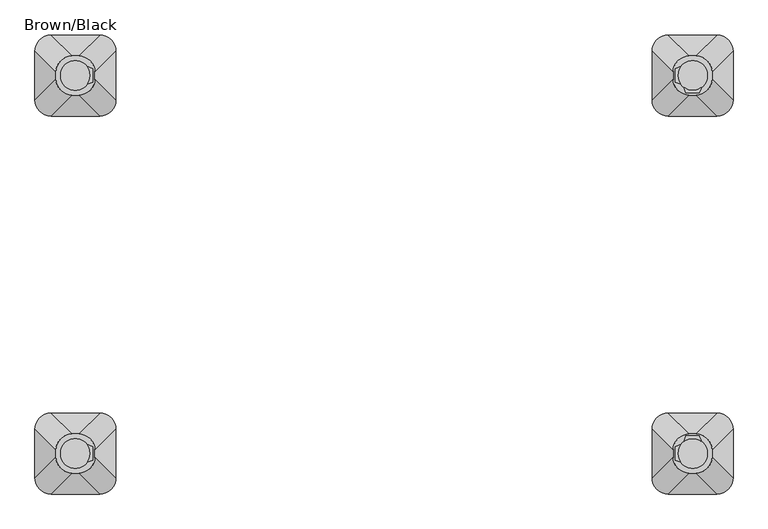
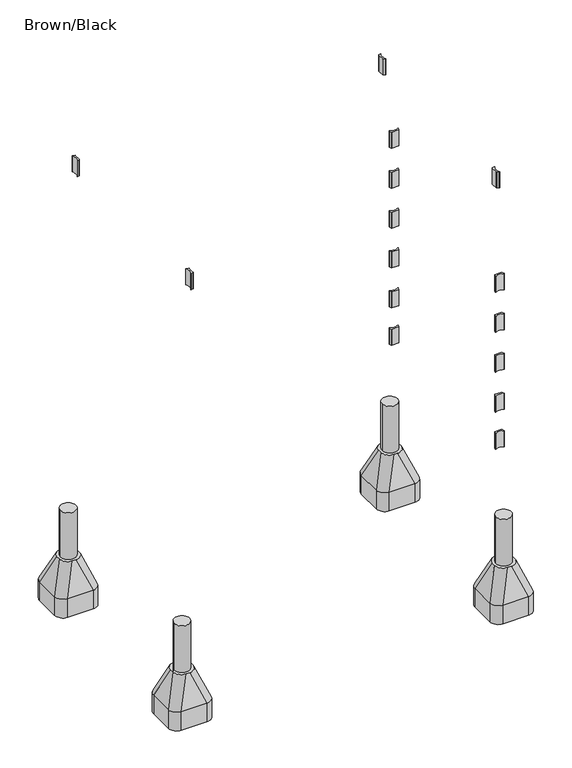
"""IFC4 building model written with IfcOpenShell, lengths in millimetres: furniture geometry, Brown/Black."""

from ifc_helpers import new_model, si_unit, point, frame, frame_2d, origin, place, context, project, spatial, polyline, circle_curve, trimmed, segment, composite_curve, outline, extrude, source, transform, mapped, element, save
from ifc_brep_helpers import plane_surface, cylinder_surface, extruded_surface, advanced_brep


def brown_black_c71b2f0c(model_context):
    return source(origin(), model_context, "Body", "SolidModel", [
        extrude(outline(composite_curve([segment(trimmed(circle_curve(frame_2d((-547.0, 1605.0)), 55.0), [point((-602.0, 1605.0))], [point((-492.0, 1605.0))], False, "CARTESIAN"), True, "CONTINUOUS"), segment(trimmed(circle_curve(frame_2d((-547.0, 1605.0)), 55.0), [point((-492.0, 1605.0))], [point((-602.0, 1605.0))], False, "CARTESIAN"), True, "CONTINUOUS")], self_intersect=False)), frame((0.0, 0.0, -800.0), z_axis=(0.0, 0.0, 1.0), x_axis=(1.0, 0.0, 0.0)), (0.0, 0.0, 1.0), 700.0),
        advanced_brep(
        [(-457.0, 1755.0, -800.0), (-397.0, 1695.0, -800.0), (-397.0, 1515.0, -800.0), (-457.0, 1455.0, -800.0), (-637.0, 1455.0, -800.0), (-697.0, 1515.0, -800.0), (-697.0, 1695.0, -800.0), (-637.0, 1755.0, -800.0), (-637.0, 1755.0, -660.0), (-457.0, 1755.0, -660.0), (-697.0, 1515.0, -660.0), (-697.0, 1695.0, -660.0), (-457.0, 1455.0, -660.0), (-637.0, 1455.0, -660.0), (-397.0, 1695.0, -660.0), (-397.0, 1515.0, -660.0), (-559.2959549, 1677.6989403, -450.0), (-619.2959549, 1617.6989403, -450.0), (-619.2959549, 1592.3010597, -450.0), (-559.2959549, 1532.3010597, -450.0), (-534.7040451, 1532.3010597, -450.0), (-474.7040451, 1592.3010597, -450.0), (-474.7040451, 1617.6989403, -450.0), (-534.7040451, 1677.6989403, -450.0)],
        [
            (0, 1, circle_curve(frame((-457.0, 1695.0, -800.0), z_axis=(0.0, 0.0, -1.0), x_axis=(1.0, 0.0, 0.0)), 60.0)),
            (1, 2),
            (2, 3, circle_curve(frame((-457.0, 1515.0, -800.0), z_axis=(0.0, 0.0, -1.0), x_axis=(1.0, 0.0, 0.0)), 60.0)),
            (3, 4),
            (4, 5, circle_curve(frame((-637.0, 1515.0, -800.0), z_axis=(0.0, 0.0, -1.0), x_axis=(1.0, 0.0, 0.0)), 60.0)),
            (5, 6),
            (6, 7, circle_curve(frame((-637.0, 1695.0, -800.0), z_axis=(0.0, 0.0, -1.0), x_axis=(1.0, 0.0, 0.0)), 60.0)),
            (7, 0),
            (7, 8),
            (8, 9),
            (9, 0),
            (5, 10),
            (10, 11),
            (11, 6),
            (3, 12),
            (12, 13),
            (13, 4),
            (1, 14),
            (14, 15),
            (15, 2),
            (16, 17, circle_curve(frame((-559.2959549, 1617.6989403, -450.0), z_axis=(0.0, 0.0, 1.0), x_axis=(1.0, 0.0, 0.0)), 60.0)),
            (17, 18),
            (18, 19, circle_curve(frame((-559.2959549, 1592.3010597, -450.0), z_axis=(0.0, 0.0, 1.0), x_axis=(1.0, 0.0, 0.0)), 60.0)),
            (19, 20),
            (20, 21, circle_curve(frame((-534.7040451, 1592.3010597, -450.0), z_axis=(0.0, 0.0, 1.0), x_axis=(1.0, 0.0, 0.0)), 60.0)),
            (21, 22),
            (22, 23, circle_curve(frame((-534.7040451, 1617.6989403, -450.0), z_axis=(0.0, 0.0, 1.0), x_axis=(1.0, 0.0, 0.0)), 60.0)),
            (23, 16),
            (17, 11),
            (10, 18),
            (19, 13),
            (12, 20),
            (21, 15),
            (14, 22),
            (23, 9),
            (8, 16),
            (11, 8, circle_curve(frame((-637.0, 1695.0, -660.0), z_axis=(0.0, 0.0, -1.0), x_axis=(1.0, 0.0, 0.0)), 60.0)),
            (13, 10, circle_curve(frame((-637.0, 1515.0, -660.0), z_axis=(0.0, 0.0, -1.0), x_axis=(1.0, 0.0, 0.0)), 60.0)),
            (15, 12, circle_curve(frame((-457.0, 1515.0, -660.0), z_axis=(0.0, 0.0, -1.0), x_axis=(1.0, 0.0, 0.0)), 60.0)),
            (9, 14, circle_curve(frame((-457.0, 1695.0, -660.0), z_axis=(0.0, 0.0, -1.0), x_axis=(1.0, 0.0, 0.0)), 60.0)),
        ],
        [
            plane_surface(frame((-723.6329682, 1755.0, -800.0), z_axis=(0.0, 0.0, -1.0), x_axis=(1.0, 0.0, 0.0))),
            plane_surface(frame((-457.0, 1755.0, -660.0), z_axis=(0.0, 1.0, 0.0), x_axis=(0.0, 0.0, -1.0))),
            plane_surface(frame((-697.0, 1695.0, -660.0), z_axis=(-1.0, 0.0, 0.0), x_axis=(0.0, 0.0, -1.0))),
            plane_surface(frame((-637.0, 1455.0, -660.0), z_axis=(0.0, -1.0, 0.0), x_axis=(0.0, 0.0, -1.0))),
            plane_surface(frame((-397.0, 1515.0, -660.0), z_axis=(1.0, 0.0, 0.0), x_axis=(0.0, 0.0, -1.0))),
            plane_surface(frame((-547.0, 1605.0, -450.0), z_axis=(0.0, 0.0, 1.0), x_axis=(-1.0, 0.0, 0.0))),
            plane_surface(frame((-697.0, 1605.0, -660.0), z_axis=(-0.9378559633153523, 0.0, 0.3470247715564883), x_axis=(0.0, -1.0, 0.0))),
            plane_surface(frame((-547.0, 1455.0, -660.0), z_axis=(0.0, -0.9384407279810882, 0.3454402988452927), x_axis=(1.0, 0.0, 0.0))),
            plane_surface(frame((-397.0, 1605.0, -660.0), z_axis=(0.9378559633153524, 0.0, 0.34702477155648764), x_axis=(0.0, 1.0, 0.0))),
            plane_surface(frame((-547.0, 1755.0, -660.0), z_axis=(0.0, 0.9384407279810884, 0.3454402988452924), x_axis=(-1.0, 0.0, 0.0))),
            cylinder_surface(frame((-637.0, 1695.0, -800.0), z_axis=(0.0, 0.0, 1.0), x_axis=(1.0, 0.0, 0.0)), 60.0),
            cylinder_surface(frame((-637.0, 1515.0, -800.0), z_axis=(0.0, 0.0, 1.0), x_axis=(1.0, 0.0, 0.0)), 60.0),
            cylinder_surface(frame((-457.0, 1515.0, -800.0), z_axis=(0.0, 0.0, 1.0), x_axis=(1.0, 0.0, 0.0)), 60.0),
            cylinder_surface(frame((-457.0, 1695.0, -800.0), z_axis=(0.0, 0.0, 1.0), x_axis=(1.0, 0.0, 0.0)), 60.0),
            extruded_surface(trimmed(circle_curve(frame((-637.0, 1695.0, -660.0), z_axis=(0.0, 0.0, 1.0), x_axis=(1.0, 0.0, 0.0)), 60.0), [point((-637.0, 1755.0, -660.0))], [point((-697.0, 1695.0, -660.0))], True, "CARTESIAN"), (77.70404510000003, -77.3010597, 210.0), 236.88261324049472),
            extruded_surface(trimmed(circle_curve(frame((-457.0, 1695.0, -660.0), z_axis=(0.0, 0.0, 1.0), x_axis=(1.0, 0.0, 0.0)), 60.0), [point((-397.0, 1695.0, -660.0))], [point((-457.0, 1755.0, -660.0))], True, "CARTESIAN"), (-77.70404510000003, -77.3010597, 210.0), 236.88261324049472),
            extruded_surface(trimmed(circle_curve(frame((-637.0, 1515.0, -660.0), z_axis=(0.0, 0.0, 1.0), x_axis=(1.0, 0.0, 0.0)), 60.0), [point((-697.0, 1515.0, -660.0))], [point((-637.0, 1455.0, -660.0))], True, "CARTESIAN"), (77.70404510000003, 77.3010597, 210.0), 236.88261324049472),
            extruded_surface(trimmed(circle_curve(frame((-457.0, 1515.0, -660.0), z_axis=(0.0, 0.0, 1.0), x_axis=(1.0, 0.0, 0.0)), 60.0), [point((-457.0, 1455.0, -660.0))], [point((-397.0, 1515.0, -660.0))], True, "CARTESIAN"), (-77.70404510000003, 77.3010597, 210.0), 236.88261324049472),
        ],
        [
            (0, [[1, 2, 3, 4, 5, 6, 7, 8]]),
            (1, [[-8, 9, 10, 11]]),
            (2, [[-6, 12, 13, 14]]),
            (3, [[-4, 15, 16, 17]]),
            (4, [[-2, 18, 19, 20]]),
            (5, [[21, 22, 23, 24, 25, 26, 27, 28]]),
            (6, [[-22, 29, -13, 30]]),
            (7, [[-24, 31, -16, 32]]),
            (8, [[-26, 33, -19, 34]]),
            (9, [[-28, 35, -10, 36]]),
            (10, [[-7, -14, 37, -9]]),
            (11, [[-5, -17, 38, -12]]),
            (12, [[-3, -20, 39, -15]]),
            (13, [[-1, -11, 40, -18]]),
            (14, [[-21, -36, -37, -29]]),
            (15, [[-27, -34, -40, -35]]),
            (16, [[-23, -30, -38, -31]]),
            (17, [[-25, -32, -39, -33]]),
        ],
    ),
        extrude(outline(composite_curve([segment(trimmed(circle_curve(frame_2d((-547.0, 205.0)), 55.0), [point((-602.0, 205.0))], [point((-492.0, 205.0))], False, "CARTESIAN"), True, "CONTINUOUS"), segment(trimmed(circle_curve(frame_2d((-547.0, 205.0)), 55.0), [point((-492.0, 205.0))], [point((-602.0, 205.0))], False, "CARTESIAN"), True, "CONTINUOUS")], self_intersect=False)), frame((0.0, 0.0, -800.0), z_axis=(0.0, 0.0, 1.0), x_axis=(1.0, 0.0, 0.0)), (0.0, 0.0, 1.0), 700.0),
        advanced_brep(
        [(-457.0, 355.0, -800.0), (-397.0, 295.0, -800.0), (-397.0, 115.0, -800.0), (-457.0, 55.0, -800.0), (-637.0, 55.0, -800.0), (-697.0, 115.0, -800.0), (-697.0, 295.0, -800.0), (-637.0, 355.0, -800.0), (-637.0, 355.0, -660.0), (-457.0, 355.0, -660.0), (-697.0, 115.0, -660.0), (-697.0, 295.0, -660.0), (-457.0, 55.0, -660.0), (-637.0, 55.0, -660.0), (-397.0, 295.0, -660.0), (-397.0, 115.0, -660.0), (-559.2959549, 277.6989403, -450.0), (-619.2959549, 217.6989403, -450.0), (-619.2959549, 192.3010597, -450.0), (-559.2959549, 132.3010597, -450.0), (-534.7040451, 132.3010597, -450.0), (-474.7040451, 192.3010597, -450.0), (-474.7040451, 217.6989403, -450.0), (-534.7040451, 277.6989403, -450.0)],
        [
            (0, 1, circle_curve(frame((-457.0, 295.0, -800.0), z_axis=(0.0, 0.0, -1.0), x_axis=(1.0, 0.0, 0.0)), 60.0)),
            (1, 2),
            (2, 3, circle_curve(frame((-457.0, 115.0, -800.0), z_axis=(0.0, 0.0, -1.0), x_axis=(1.0, 0.0, 0.0)), 60.0)),
            (3, 4),
            (4, 5, circle_curve(frame((-637.0, 115.0, -800.0), z_axis=(0.0, 0.0, -1.0), x_axis=(1.0, 0.0, 0.0)), 60.0)),
            (5, 6),
            (6, 7, circle_curve(frame((-637.0, 295.0, -800.0), z_axis=(0.0, 0.0, -1.0), x_axis=(1.0, 0.0, 0.0)), 60.0)),
            (7, 0),
            (7, 8),
            (8, 9),
            (9, 0),
            (5, 10),
            (10, 11),
            (11, 6),
            (3, 12),
            (12, 13),
            (13, 4),
            (1, 14),
            (14, 15),
            (15, 2),
            (16, 17, circle_curve(frame((-559.2959549, 217.6989403, -450.0), z_axis=(0.0, 0.0, 1.0), x_axis=(1.0, 0.0, 0.0)), 60.0)),
            (17, 18),
            (18, 19, circle_curve(frame((-559.2959549, 192.3010597, -450.0), z_axis=(0.0, 0.0, 1.0), x_axis=(1.0, 0.0, 0.0)), 60.0)),
            (19, 20),
            (20, 21, circle_curve(frame((-534.7040451, 192.3010597, -450.0), z_axis=(0.0, 0.0, 1.0), x_axis=(1.0, 0.0, 0.0)), 60.0)),
            (21, 22),
            (22, 23, circle_curve(frame((-534.7040451, 217.6989403, -450.0), z_axis=(0.0, 0.0, 1.0), x_axis=(1.0, 0.0, 0.0)), 60.0)),
            (23, 16),
            (17, 11),
            (10, 18),
            (19, 13),
            (12, 20),
            (21, 15),
            (14, 22),
            (23, 9),
            (8, 16),
            (11, 8, circle_curve(frame((-637.0, 295.0, -660.0), z_axis=(0.0, 0.0, -1.0), x_axis=(1.0, 0.0, 0.0)), 60.0)),
            (13, 10, circle_curve(frame((-637.0, 115.0, -660.0), z_axis=(0.0, 0.0, -1.0), x_axis=(1.0, 0.0, 0.0)), 60.0)),
            (15, 12, circle_curve(frame((-457.0, 115.0, -660.0), z_axis=(0.0, 0.0, -1.0), x_axis=(1.0, 0.0, 0.0)), 60.0)),
            (9, 14, circle_curve(frame((-457.0, 295.0, -660.0), z_axis=(0.0, 0.0, -1.0), x_axis=(1.0, 0.0, 0.0)), 60.0)),
        ],
        [
            plane_surface(frame((-723.6329682, 355.0, -800.0), z_axis=(0.0, 0.0, -1.0), x_axis=(1.0, 0.0, 0.0))),
            plane_surface(frame((-457.0, 355.0, -660.0), z_axis=(0.0, 1.0, 0.0), x_axis=(0.0, 0.0, -1.0))),
            plane_surface(frame((-697.0, 295.0, -660.0), z_axis=(-1.0, 0.0, 0.0), x_axis=(0.0, 0.0, -1.0))),
            plane_surface(frame((-637.0, 55.0, -660.0), z_axis=(0.0, -1.0, 0.0), x_axis=(0.0, 0.0, -1.0))),
            plane_surface(frame((-397.0, 115.0, -660.0), z_axis=(1.0, 0.0, 0.0), x_axis=(0.0, 0.0, -1.0))),
            plane_surface(frame((-547.0, 205.0, -450.0), z_axis=(0.0, 0.0, 1.0), x_axis=(-1.0, 0.0, 0.0))),
            plane_surface(frame((-697.0, 205.0, -660.0), z_axis=(-0.9378559633153523, 0.0, 0.3470247715564883), x_axis=(0.0, -1.0, 0.0))),
            plane_surface(frame((-547.0, 55.0, -660.0), z_axis=(0.0, -0.9384407279810882, 0.3454402988452927), x_axis=(1.0, 0.0, 0.0))),
            plane_surface(frame((-397.0, 205.0, -660.0), z_axis=(0.9378559633153524, 0.0, 0.34702477155648764), x_axis=(0.0, 1.0, 0.0))),
            plane_surface(frame((-547.0, 355.0, -660.0), z_axis=(0.0, 0.9384407279810884, 0.3454402988452924), x_axis=(-1.0, 0.0, 0.0))),
            cylinder_surface(frame((-637.0, 295.0, -800.0), z_axis=(0.0, 0.0, 1.0), x_axis=(1.0, 0.0, 0.0)), 60.0),
            cylinder_surface(frame((-637.0, 115.0, -800.0), z_axis=(0.0, 0.0, 1.0), x_axis=(1.0, 0.0, 0.0)), 60.0),
            cylinder_surface(frame((-457.0, 115.0, -800.0), z_axis=(0.0, 0.0, 1.0), x_axis=(1.0, 0.0, 0.0)), 60.0),
            cylinder_surface(frame((-457.0, 295.0, -800.0), z_axis=(0.0, 0.0, 1.0), x_axis=(1.0, 0.0, 0.0)), 60.0),
            extruded_surface(trimmed(circle_curve(frame((-637.0, 295.0, -660.0), z_axis=(0.0, 0.0, 1.0), x_axis=(1.0, 0.0, 0.0)), 60.0), [point((-637.0, 355.0, -660.0))], [point((-697.0, 295.0, -660.0))], True, "CARTESIAN"), (77.70404510000003, -77.3010597, 210.0), 236.88261324049472),
            extruded_surface(trimmed(circle_curve(frame((-457.0, 295.0, -660.0), z_axis=(0.0, 0.0, 1.0), x_axis=(1.0, 0.0, 0.0)), 60.0), [point((-397.0, 295.0, -660.0))], [point((-457.0, 355.0, -660.0))], True, "CARTESIAN"), (-77.70404510000003, -77.3010597, 210.0), 236.88261324049472),
            extruded_surface(trimmed(circle_curve(frame((-637.0, 115.0, -660.0), z_axis=(0.0, 0.0, 1.0), x_axis=(1.0, 0.0, 0.0)), 60.0), [point((-697.0, 115.0, -660.0))], [point((-637.0, 55.0, -660.0))], True, "CARTESIAN"), (77.70404510000003, 77.3010597, 210.0), 236.88261324049472),
            extruded_surface(trimmed(circle_curve(frame((-457.0, 115.0, -660.0), z_axis=(0.0, 0.0, 1.0), x_axis=(1.0, 0.0, 0.0)), 60.0), [point((-457.0, 55.0, -660.0))], [point((-397.0, 115.0, -660.0))], True, "CARTESIAN"), (-77.70404510000003, 77.3010597, 210.0), 236.88261324049472),
        ],
        [
            (0, [[1, 2, 3, 4, 5, 6, 7, 8]]),
            (1, [[-8, 9, 10, 11]]),
            (2, [[-6, 12, 13, 14]]),
            (3, [[-4, 15, 16, 17]]),
            (4, [[-2, 18, 19, 20]]),
            (5, [[21, 22, 23, 24, 25, 26, 27, 28]]),
            (6, [[-22, 29, -13, 30]]),
            (7, [[-24, 31, -16, 32]]),
            (8, [[-26, 33, -19, 34]]),
            (9, [[-28, 35, -10, 36]]),
            (10, [[-7, -14, 37, -9]]),
            (11, [[-5, -17, 38, -12]]),
            (12, [[-3, -20, 39, -15]]),
            (13, [[-1, -11, 40, -18]]),
            (14, [[-21, -36, -37, -29]]),
            (15, [[-27, -34, -40, -35]]),
            (16, [[-23, -30, -38, -31]]),
            (17, [[-25, -32, -39, -33]]),
        ],
    ),
        extrude(outline(composite_curve([segment(trimmed(circle_curve(frame_2d((1739.0, 205.0)), 55.0), [point((1684.0, 205.0))], [point((1794.0, 205.0))], False, "CARTESIAN"), True, "CONTINUOUS"), segment(trimmed(circle_curve(frame_2d((1739.0, 205.0)), 55.0), [point((1794.0, 205.0))], [point((1684.0, 205.0))], False, "CARTESIAN"), True, "CONTINUOUS")], self_intersect=False)), frame((0.0, 0.0, -800.0), z_axis=(0.0, 0.0, 1.0), x_axis=(1.0, 0.0, 0.0)), (0.0, 0.0, 1.0), 700.0),
        advanced_brep(
        [(1829.0, 355.0, -800.0), (1889.0, 295.0, -800.0), (1889.0, 115.0, -800.0), (1829.0, 55.0, -800.0), (1649.0, 55.0, -800.0), (1589.0, 115.0, -800.0), (1589.0, 295.0, -800.0), (1649.0, 355.0, -800.0), (1649.0, 355.0, -660.0), (1829.0, 355.0, -660.0), (1589.0, 115.0, -660.0), (1589.0, 295.0, -660.0), (1829.0, 55.0, -660.0), (1649.0, 55.0, -660.0), (1889.0, 295.0, -660.0), (1889.0, 115.0, -660.0), (1726.7040451, 277.6989403, -450.0), (1666.7040451, 217.6989403, -450.0), (1666.7040451, 192.3010597, -450.0), (1726.7040451, 132.3010597, -450.0), (1751.2959549, 132.3010597, -450.0), (1811.2959549, 192.3010597, -450.0), (1811.2959549, 217.6989403, -450.0), (1751.2959549, 277.6989403, -450.0)],
        [
            (0, 1, circle_curve(frame((1829.0, 295.0, -800.0), z_axis=(0.0, 0.0, -1.0), x_axis=(1.0, 0.0, 0.0)), 60.0)),
            (1, 2),
            (2, 3, circle_curve(frame((1829.0, 115.0, -800.0), z_axis=(0.0, 0.0, -1.0), x_axis=(1.0, 0.0, 0.0)), 60.0)),
            (3, 4),
            (4, 5, circle_curve(frame((1649.0, 115.0, -800.0), z_axis=(0.0, 0.0, -1.0), x_axis=(1.0, 0.0, 0.0)), 60.0)),
            (5, 6),
            (6, 7, circle_curve(frame((1649.0, 295.0, -800.0), z_axis=(0.0, 0.0, -1.0), x_axis=(1.0, 0.0, 0.0)), 60.0)),
            (7, 0),
            (7, 8),
            (8, 9),
            (9, 0),
            (5, 10),
            (10, 11),
            (11, 6),
            (3, 12),
            (12, 13),
            (13, 4),
            (1, 14),
            (14, 15),
            (15, 2),
            (16, 17, circle_curve(frame((1726.7040451, 217.6989403, -450.0), z_axis=(0.0, 0.0, 1.0), x_axis=(1.0, 0.0, 0.0)), 60.0)),
            (17, 18),
            (18, 19, circle_curve(frame((1726.7040451, 192.3010597, -450.0), z_axis=(0.0, 0.0, 1.0), x_axis=(1.0, 0.0, 0.0)), 60.0)),
            (19, 20),
            (20, 21, circle_curve(frame((1751.2959549, 192.3010597, -450.0), z_axis=(0.0, 0.0, 1.0), x_axis=(1.0, 0.0, 0.0)), 60.0)),
            (21, 22),
            (22, 23, circle_curve(frame((1751.2959549, 217.6989403, -450.0), z_axis=(0.0, 0.0, 1.0), x_axis=(1.0, 0.0, 0.0)), 60.0)),
            (23, 16),
            (17, 11),
            (10, 18),
            (19, 13),
            (12, 20),
            (21, 15),
            (14, 22),
            (23, 9),
            (8, 16),
            (11, 8, circle_curve(frame((1649.0, 295.0, -660.0), z_axis=(0.0, 0.0, -1.0), x_axis=(1.0, 0.0, 0.0)), 60.0)),
            (13, 10, circle_curve(frame((1649.0, 115.0, -660.0), z_axis=(0.0, 0.0, -1.0), x_axis=(1.0, 0.0, 0.0)), 60.0)),
            (15, 12, circle_curve(frame((1829.0, 115.0, -660.0), z_axis=(0.0, 0.0, -1.0), x_axis=(1.0, 0.0, 0.0)), 60.0)),
            (9, 14, circle_curve(frame((1829.0, 295.0, -660.0), z_axis=(0.0, 0.0, -1.0), x_axis=(1.0, 0.0, 0.0)), 60.0)),
        ],
        [
            plane_surface(frame((1562.3670318, 355.0, -800.0), z_axis=(0.0, 0.0, -1.0), x_axis=(1.0, 0.0, 0.0))),
            plane_surface(frame((1829.0, 355.0, -660.0), z_axis=(0.0, 1.0, 0.0), x_axis=(0.0, 0.0, -1.0))),
            plane_surface(frame((1589.0, 295.0, -660.0), z_axis=(-1.0, 0.0, 0.0), x_axis=(0.0, 0.0, -1.0))),
            plane_surface(frame((1649.0, 55.0, -660.0), z_axis=(0.0, -1.0, 0.0), x_axis=(0.0, 0.0, -1.0))),
            plane_surface(frame((1889.0, 115.0, -660.0), z_axis=(1.0, 0.0, 0.0), x_axis=(0.0, 0.0, -1.0))),
            plane_surface(frame((1739.0, 205.0, -450.0), z_axis=(0.0, 0.0, 1.0), x_axis=(-1.0, 0.0, 0.0))),
            plane_surface(frame((1589.0, 205.0, -660.0), z_axis=(-0.9378559633153523, 0.0, 0.3470247715564883), x_axis=(0.0, -1.0, 0.0))),
            plane_surface(frame((1739.0, 55.0, -660.0), z_axis=(0.0, -0.9384407279810882, 0.3454402988452927), x_axis=(1.0, 0.0, 0.0))),
            plane_surface(frame((1889.0, 205.0, -660.0), z_axis=(0.9378559633153524, 0.0, 0.34702477155648764), x_axis=(0.0, 1.0, 0.0))),
            plane_surface(frame((1739.0, 355.0, -660.0), z_axis=(0.0, 0.9384407279810884, 0.3454402988452924), x_axis=(-1.0, 0.0, 0.0))),
            cylinder_surface(frame((1649.0, 295.0, -800.0), z_axis=(0.0, 0.0, 1.0), x_axis=(1.0, 0.0, 0.0)), 60.0),
            cylinder_surface(frame((1649.0, 115.0, -800.0), z_axis=(0.0, 0.0, 1.0), x_axis=(1.0, 0.0, 0.0)), 60.0),
            cylinder_surface(frame((1829.0, 115.0, -800.0), z_axis=(0.0, 0.0, 1.0), x_axis=(1.0, 0.0, 0.0)), 60.0),
            cylinder_surface(frame((1829.0, 295.0, -800.0), z_axis=(0.0, 0.0, 1.0), x_axis=(1.0, 0.0, 0.0)), 60.0),
            extruded_surface(trimmed(circle_curve(frame((1649.0, 295.0, -660.0), z_axis=(0.0, 0.0, 1.0), x_axis=(1.0, 0.0, 0.0)), 60.0), [point((1649.0, 355.0, -660.0))], [point((1589.0, 295.0, -660.0))], True, "CARTESIAN"), (77.70404510000003, -77.3010597, 210.0), 236.88261324049472),
            extruded_surface(trimmed(circle_curve(frame((1829.0, 295.0, -660.0), z_axis=(0.0, 0.0, 1.0), x_axis=(1.0, 0.0, 0.0)), 60.0), [point((1889.0, 295.0, -660.0))], [point((1829.0, 355.0, -660.0))], True, "CARTESIAN"), (-77.70404510000003, -77.3010597, 210.0), 236.88261324049472),
            extruded_surface(trimmed(circle_curve(frame((1649.0, 115.0, -660.0), z_axis=(0.0, 0.0, 1.0), x_axis=(1.0, 0.0, 0.0)), 60.0), [point((1589.0, 115.0, -660.0))], [point((1649.0, 55.0, -660.0))], True, "CARTESIAN"), (77.70404510000003, 77.3010597, 210.0), 236.88261324049472),
            extruded_surface(trimmed(circle_curve(frame((1829.0, 115.0, -660.0), z_axis=(0.0, 0.0, 1.0), x_axis=(1.0, 0.0, 0.0)), 60.0), [point((1829.0, 55.0, -660.0))], [point((1889.0, 115.0, -660.0))], True, "CARTESIAN"), (-77.70404510000003, 77.3010597, 210.0), 236.88261324049472),
        ],
        [
            (0, [[1, 2, 3, 4, 5, 6, 7, 8]]),
            (1, [[-8, 9, 10, 11]]),
            (2, [[-6, 12, 13, 14]]),
            (3, [[-4, 15, 16, 17]]),
            (4, [[-2, 18, 19, 20]]),
            (5, [[21, 22, 23, 24, 25, 26, 27, 28]]),
            (6, [[-22, 29, -13, 30]]),
            (7, [[-24, 31, -16, 32]]),
            (8, [[-26, 33, -19, 34]]),
            (9, [[-28, 35, -10, 36]]),
            (10, [[-7, -14, 37, -9]]),
            (11, [[-5, -17, 38, -12]]),
            (12, [[-3, -20, 39, -15]]),
            (13, [[-1, -11, 40, -18]]),
            (14, [[-21, -36, -37, -29]]),
            (15, [[-27, -34, -40, -35]]),
            (16, [[-23, -30, -38, -31]]),
            (17, [[-25, -32, -39, -33]]),
        ],
    ),
        extrude(outline(composite_curve([segment(trimmed(circle_curve(frame_2d((1739.0, 1605.0)), 55.0), [point((1684.0, 1605.0))], [point((1794.0, 1605.0))], False, "CARTESIAN"), True, "CONTINUOUS"), segment(trimmed(circle_curve(frame_2d((1739.0, 1605.0)), 55.0), [point((1794.0, 1605.0))], [point((1684.0, 1605.0))], False, "CARTESIAN"), True, "CONTINUOUS")], self_intersect=False)), frame((0.0, 0.0, -800.0), z_axis=(0.0, 0.0, 1.0), x_axis=(1.0, 0.0, 0.0)), (0.0, 0.0, 1.0), 700.0),
        advanced_brep(
        [(1829.0, 1755.0, -800.0), (1889.0, 1695.0, -800.0), (1889.0, 1515.0, -800.0), (1829.0, 1455.0, -800.0), (1649.0, 1455.0, -800.0), (1589.0, 1515.0, -800.0), (1589.0, 1695.0, -800.0), (1649.0, 1755.0, -800.0), (1649.0, 1755.0, -660.0), (1829.0, 1755.0, -660.0), (1589.0, 1515.0, -660.0), (1589.0, 1695.0, -660.0), (1829.0, 1455.0, -660.0), (1649.0, 1455.0, -660.0), (1889.0, 1695.0, -660.0), (1889.0, 1515.0, -660.0), (1726.7040451, 1677.6989403, -450.0), (1666.7040451, 1617.6989403, -450.0), (1666.7040451, 1592.3010597, -450.0), (1726.7040451, 1532.3010597, -450.0), (1751.2959549, 1532.3010597, -450.0), (1811.2959549, 1592.3010597, -450.0), (1811.2959549, 1617.6989403, -450.0), (1751.2959549, 1677.6989403, -450.0)],
        [
            (0, 1, circle_curve(frame((1829.0, 1695.0, -800.0), z_axis=(0.0, 0.0, -1.0), x_axis=(1.0, 0.0, 0.0)), 60.0)),
            (1, 2),
            (2, 3, circle_curve(frame((1829.0, 1515.0, -800.0), z_axis=(0.0, 0.0, -1.0), x_axis=(1.0, 0.0, 0.0)), 60.0)),
            (3, 4),
            (4, 5, circle_curve(frame((1649.0, 1515.0, -800.0), z_axis=(0.0, 0.0, -1.0), x_axis=(1.0, 0.0, 0.0)), 60.0)),
            (5, 6),
            (6, 7, circle_curve(frame((1649.0, 1695.0, -800.0), z_axis=(0.0, 0.0, -1.0), x_axis=(1.0, 0.0, 0.0)), 60.0)),
            (7, 0),
            (7, 8),
            (8, 9),
            (9, 0),
            (5, 10),
            (10, 11),
            (11, 6),
            (3, 12),
            (12, 13),
            (13, 4),
            (1, 14),
            (14, 15),
            (15, 2),
            (16, 17, circle_curve(frame((1726.7040451, 1617.6989403, -450.0), z_axis=(0.0, 0.0, 1.0), x_axis=(1.0, 0.0, 0.0)), 60.0)),
            (17, 18),
            (18, 19, circle_curve(frame((1726.7040451, 1592.3010597, -450.0), z_axis=(0.0, 0.0, 1.0), x_axis=(1.0, 0.0, 0.0)), 60.0)),
            (19, 20),
            (20, 21, circle_curve(frame((1751.2959549, 1592.3010597, -450.0), z_axis=(0.0, 0.0, 1.0), x_axis=(1.0, 0.0, 0.0)), 60.0)),
            (21, 22),
            (22, 23, circle_curve(frame((1751.2959549, 1617.6989403, -450.0), z_axis=(0.0, 0.0, 1.0), x_axis=(1.0, 0.0, 0.0)), 60.0)),
            (23, 16),
            (17, 11),
            (10, 18),
            (19, 13),
            (12, 20),
            (21, 15),
            (14, 22),
            (23, 9),
            (8, 16),
            (11, 8, circle_curve(frame((1649.0, 1695.0, -660.0), z_axis=(0.0, 0.0, -1.0), x_axis=(1.0, 0.0, 0.0)), 60.0)),
            (13, 10, circle_curve(frame((1649.0, 1515.0, -660.0), z_axis=(0.0, 0.0, -1.0), x_axis=(1.0, 0.0, 0.0)), 60.0)),
            (15, 12, circle_curve(frame((1829.0, 1515.0, -660.0), z_axis=(0.0, 0.0, -1.0), x_axis=(1.0, 0.0, 0.0)), 60.0)),
            (9, 14, circle_curve(frame((1829.0, 1695.0, -660.0), z_axis=(0.0, 0.0, -1.0), x_axis=(1.0, 0.0, 0.0)), 60.0)),
        ],
        [
            plane_surface(frame((1562.3670318, 1755.0, -800.0), z_axis=(0.0, 0.0, -1.0), x_axis=(1.0, 0.0, 0.0))),
            plane_surface(frame((1829.0, 1755.0, -660.0), z_axis=(0.0, 1.0, 0.0), x_axis=(0.0, 0.0, -1.0))),
            plane_surface(frame((1589.0, 1695.0, -660.0), z_axis=(-1.0, 0.0, 0.0), x_axis=(0.0, 0.0, -1.0))),
            plane_surface(frame((1649.0, 1455.0, -660.0), z_axis=(0.0, -1.0, 0.0), x_axis=(0.0, 0.0, -1.0))),
            plane_surface(frame((1889.0, 1515.0, -660.0), z_axis=(1.0, 0.0, 0.0), x_axis=(0.0, 0.0, -1.0))),
            plane_surface(frame((1739.0, 1605.0, -450.0), z_axis=(0.0, 0.0, 1.0), x_axis=(-1.0, 0.0, 0.0))),
            plane_surface(frame((1589.0, 1605.0, -660.0), z_axis=(-0.9378559633153523, 0.0, 0.3470247715564883), x_axis=(0.0, -1.0, 0.0))),
            plane_surface(frame((1739.0, 1455.0, -660.0), z_axis=(0.0, -0.9384407279810882, 0.3454402988452927), x_axis=(1.0, 0.0, 0.0))),
            plane_surface(frame((1889.0, 1605.0, -660.0), z_axis=(0.9378559633153524, 0.0, 0.34702477155648764), x_axis=(0.0, 1.0, 0.0))),
            plane_surface(frame((1739.0, 1755.0, -660.0), z_axis=(0.0, 0.9384407279810884, 0.3454402988452924), x_axis=(-1.0, 0.0, 0.0))),
            cylinder_surface(frame((1649.0, 1695.0, -800.0), z_axis=(0.0, 0.0, 1.0), x_axis=(1.0, 0.0, 0.0)), 60.0),
            cylinder_surface(frame((1649.0, 1515.0, -800.0), z_axis=(0.0, 0.0, 1.0), x_axis=(1.0, 0.0, 0.0)), 60.0),
            cylinder_surface(frame((1829.0, 1515.0, -800.0), z_axis=(0.0, 0.0, 1.0), x_axis=(1.0, 0.0, 0.0)), 60.0),
            cylinder_surface(frame((1829.0, 1695.0, -800.0), z_axis=(0.0, 0.0, 1.0), x_axis=(1.0, 0.0, 0.0)), 60.0),
            extruded_surface(trimmed(circle_curve(frame((1649.0, 1695.0, -660.0), z_axis=(0.0, 0.0, 1.0), x_axis=(1.0, 0.0, 0.0)), 60.0), [point((1649.0, 1755.0, -660.0))], [point((1589.0, 1695.0, -660.0))], True, "CARTESIAN"), (77.70404510000003, -77.3010597, 210.0), 236.88261324049472),
            extruded_surface(trimmed(circle_curve(frame((1829.0, 1695.0, -660.0), z_axis=(0.0, 0.0, 1.0), x_axis=(1.0, 0.0, 0.0)), 60.0), [point((1889.0, 1695.0, -660.0))], [point((1829.0, 1755.0, -660.0))], True, "CARTESIAN"), (-77.70404510000003, -77.3010597, 210.0), 236.88261324049472),
            extruded_surface(trimmed(circle_curve(frame((1649.0, 1515.0, -660.0), z_axis=(0.0, 0.0, 1.0), x_axis=(1.0, 0.0, 0.0)), 60.0), [point((1589.0, 1515.0, -660.0))], [point((1649.0, 1455.0, -660.0))], True, "CARTESIAN"), (77.70404510000003, 77.3010597, 210.0), 236.88261324049472),
            extruded_surface(trimmed(circle_curve(frame((1829.0, 1515.0, -660.0), z_axis=(0.0, 0.0, 1.0), x_axis=(1.0, 0.0, 0.0)), 60.0), [point((1829.0, 1455.0, -660.0))], [point((1889.0, 1515.0, -660.0))], True, "CARTESIAN"), (-77.70404510000003, 77.3010597, 210.0), 236.88261324049472),
        ],
        [
            (0, [[1, 2, 3, 4, 5, 6, 7, 8]]),
            (1, [[-8, 9, 10, 11]]),
            (2, [[-6, 12, 13, 14]]),
            (3, [[-4, 15, 16, 17]]),
            (4, [[-2, 18, 19, 20]]),
            (5, [[21, 22, 23, 24, 25, 26, 27, 28]]),
            (6, [[-22, 29, -13, 30]]),
            (7, [[-24, 31, -16, 32]]),
            (8, [[-26, 33, -19, 34]]),
            (9, [[-28, 35, -10, 36]]),
            (10, [[-7, -14, 37, -9]]),
            (11, [[-5, -17, 38, -12]]),
            (12, [[-3, -20, 39, -15]]),
            (13, [[-1, -11, 40, -18]]),
            (14, [[-21, -36, -37, -29]]),
            (15, [[-27, -34, -40, -35]]),
            (16, [[-23, -30, -38, -31]]),
            (17, [[-25, -32, -39, -33]]),
        ],
    ),
        extrude(outline(composite_curve([segment(trimmed(circle_curve(frame_2d((1691.9121239, 174.6300052)), 1.0), [point((1692.752295, 175.1723266))], [point((1691.5701038, 173.6903126))], False, "CARTESIAN"), True, "CONTINUOUS"), segment(polyline([(1691.5701038, 173.6903126), (1674.8923549, 179.7605168)]), True, "CONTINUOUS"), segment(trimmed(circle_curve(frame_2d((1675.234375, 180.7002094)), 1.0), [point((1674.8923549, 179.7605168))], [point((1674.234375, 180.7002094))], False, "CARTESIAN"), True, "CONTINUOUS"), segment(polyline([(1674.234375, 180.7002094), (1674.234375, 229.2997943)]), True, "CONTINUOUS"), segment(trimmed(circle_curve(frame_2d((1675.234375, 229.2997943)), 1.0), [point((1674.234375, 229.2997943))], [point((1674.8923549, 230.2394869))], False, "CARTESIAN"), True, "CONTINUOUS"), segment(polyline([(1674.8923549, 230.2394869), (1691.5701038, 236.3096911)]), True, "CONTINUOUS"), segment(trimmed(circle_curve(frame_2d((1691.9121239, 235.3699985)), 1.0), [point((1691.5701038, 236.3096911))], [point((1692.752295, 234.8276771))], False, "CARTESIAN"), True, "CONTINUOUS"), segment(trimmed(circle_curve(frame_2d((1738.9617074, 205.0000019)), 55.0), [point((1692.752295, 234.8276771))], [point((1692.752295, 175.1723266))], True, "CARTESIAN"), True, "CONTINUOUS")], self_intersect=False)), frame((0.0, 0.0, 2390.0), z_axis=(0.0, 0.0, 1.0), x_axis=(1.0, 0.0, 0.0)), (0.0, 0.0, 1.0), 120.0),
        extrude(outline(composite_curve([segment(trimmed(circle_curve(frame_2d((1691.9121239, 1574.6300052)), 1.0), [point((1692.752295, 1575.1723266))], [point((1691.5701038, 1573.6903126))], False, "CARTESIAN"), True, "CONTINUOUS"), segment(polyline([(1691.5701038, 1573.6903126), (1674.8923549, 1579.7605168)]), True, "CONTINUOUS"), segment(trimmed(circle_curve(frame_2d((1675.234375, 1580.7002094)), 1.0), [point((1674.8923549, 1579.7605168))], [point((1674.234375, 1580.7002094))], False, "CARTESIAN"), True, "CONTINUOUS"), segment(polyline([(1674.234375, 1580.7002094), (1674.234375, 1629.2997943)]), True, "CONTINUOUS"), segment(trimmed(circle_curve(frame_2d((1675.234375, 1629.2997943)), 1.0), [point((1674.234375, 1629.2997943))], [point((1674.8923549, 1630.2394869))], False, "CARTESIAN"), True, "CONTINUOUS"), segment(polyline([(1674.8923549, 1630.2394869), (1691.5701038, 1636.3096911)]), True, "CONTINUOUS"), segment(trimmed(circle_curve(frame_2d((1691.9121239, 1635.3699985)), 1.0), [point((1691.5701038, 1636.3096911))], [point((1692.752295, 1634.8276771))], False, "CARTESIAN"), True, "CONTINUOUS"), segment(trimmed(circle_curve(frame_2d((1738.9617074, 1605.0000019)), 55.0), [point((1692.752295, 1634.8276771))], [point((1692.752295, 1575.1723266))], True, "CARTESIAN"), True, "CONTINUOUS")], self_intersect=False)), frame((0.0, 0.0, 2390.0), z_axis=(0.0, 0.0, 1.0), x_axis=(1.0, 0.0, 0.0)), (0.0, 0.0, 1.0), 120.0),
        extrude(outline(composite_curve([segment(trimmed(circle_curve(frame_2d((-499.9902489, 235.3699948)), 1.0), [point((-500.83042, 234.8276734))], [point((-499.6482288, 236.3096874))], False, "CARTESIAN"), True, "CONTINUOUS"), segment(polyline([(-499.6482288, 236.3096874), (-482.9704799, 230.2394832)]), True, "CONTINUOUS"), segment(trimmed(circle_curve(frame_2d((-483.3125, 229.2997906)), 1.0), [point((-482.9704799, 230.2394832))], [point((-482.3125, 229.2997906))], False, "CARTESIAN"), True, "CONTINUOUS"), segment(polyline([(-482.3125, 229.2997906), (-482.3125, 180.7002057)]), True, "CONTINUOUS"), segment(trimmed(circle_curve(frame_2d((-483.3125, 180.7002057)), 1.0), [point((-482.3125, 180.7002057))], [point((-482.9704799, 179.7605131))], False, "CARTESIAN"), True, "CONTINUOUS"), segment(polyline([(-482.9704799, 179.7605131), (-499.6482288, 173.6903089)]), True, "CONTINUOUS"), segment(trimmed(circle_curve(frame_2d((-499.9902489, 174.6300015)), 1.0), [point((-499.6482288, 173.6903089))], [point((-500.83042, 175.1723229))], False, "CARTESIAN"), True, "CONTINUOUS"), segment(trimmed(circle_curve(frame_2d((-547.0398324, 204.9999981)), 55.0), [point((-500.83042, 175.1723229))], [point((-500.83042, 234.8276734))], True, "CARTESIAN"), True, "CONTINUOUS")], self_intersect=False)), frame((0.0, 0.0, 2390.0), z_axis=(0.0, 0.0, 1.0), x_axis=(1.0, 0.0, 0.0)), (0.0, 0.0, 1.0), 120.0),
        extrude(outline(composite_curve([segment(trimmed(circle_curve(frame_2d((-499.9121239, 1635.3699948)), 1.0), [point((-500.752295, 1634.8276734))], [point((-499.5701038, 1636.3096874))], False, "CARTESIAN"), True, "CONTINUOUS"), segment(polyline([(-499.5701038, 1636.3096874), (-482.8923549, 1630.2394832)]), True, "CONTINUOUS"), segment(trimmed(circle_curve(frame_2d((-483.234375, 1629.2997906)), 1.0), [point((-482.8923549, 1630.2394832))], [point((-482.234375, 1629.2997906))], False, "CARTESIAN"), True, "CONTINUOUS"), segment(polyline([(-482.234375, 1629.2997906), (-482.234375, 1580.7002057)]), True, "CONTINUOUS"), segment(trimmed(circle_curve(frame_2d((-483.234375, 1580.7002057)), 1.0), [point((-482.234375, 1580.7002057))], [point((-482.8923549, 1579.7605131))], False, "CARTESIAN"), True, "CONTINUOUS"), segment(polyline([(-482.8923549, 1579.7605131), (-499.5701038, 1573.6903089)]), True, "CONTINUOUS"), segment(trimmed(circle_curve(frame_2d((-499.9121239, 1574.6300015)), 1.0), [point((-499.5701038, 1573.6903089))], [point((-500.752295, 1575.1723229))], False, "CARTESIAN"), True, "CONTINUOUS"), segment(trimmed(circle_curve(frame_2d((-546.9617074, 1604.9999981)), 55.0), [point((-500.752295, 1575.1723229))], [point((-500.752295, 1634.8276734))], True, "CARTESIAN"), True, "CONTINUOUS")], self_intersect=False)), frame((0.0, 0.0, 2390.0), z_axis=(0.0, 0.0, 1.0), x_axis=(1.0, 0.0, 0.0)), (0.0, 0.0, 1.0), 120.0),
        extrude(outline(composite_curve([segment(trimmed(circle_curve(frame_2d((1769.3699948, 1557.9182617)), 1.0), [point((1768.8276734, 1558.7584329))], [point((1770.3096874, 1557.5762416))], False, "CARTESIAN"), True, "CONTINUOUS"), segment(polyline([(1770.3096874, 1557.5762416), (1764.2394832, 1540.8984927)]), True, "CONTINUOUS"), segment(trimmed(circle_curve(frame_2d((1763.2997906, 1541.2405128)), 1.0), [point((1764.2394832, 1540.8984927))], [point((1763.2997906, 1540.2405128))], False, "CARTESIAN"), True, "CONTINUOUS"), segment(polyline([(1763.2997906, 1540.2405128), (1714.7002057, 1540.2405128)]), True, "CONTINUOUS"), segment(trimmed(circle_curve(frame_2d((1714.7002057, 1541.2405128)), 1.0), [point((1714.7002057, 1540.2405128))], [point((1713.7605131, 1540.8984927))], False, "CARTESIAN"), True, "CONTINUOUS"), segment(polyline([(1713.7605131, 1540.8984927), (1707.6903089, 1557.5762416)]), True, "CONTINUOUS"), segment(trimmed(circle_curve(frame_2d((1708.6300015, 1557.9182617)), 1.0), [point((1707.6903089, 1557.5762416))], [point((1709.1723229, 1558.7584329))], False, "CARTESIAN"), True, "CONTINUOUS"), segment(trimmed(circle_curve(frame_2d((1738.9999981, 1604.9678452)), 55.0), [point((1709.1723229, 1558.7584329))], [point((1768.8276734, 1558.7584329))], True, "CARTESIAN"), True, "CONTINUOUS")], self_intersect=False)), frame((0.0, 0.0, 370.0), z_axis=(0.0, 0.0, 1.0), x_axis=(1.0, 0.0, 0.0)), (0.0, 0.0, 1.0), 120.0),
        extrude(outline(composite_curve([segment(trimmed(circle_curve(frame_2d((1708.6300052, 252.0740781)), 1.0), [point((1709.1723266, 251.233907))], [point((1707.6903126, 252.4160982))], False, "CARTESIAN"), True, "CONTINUOUS"), segment(polyline([(1707.6903126, 252.4160982), (1713.7605168, 269.0938471)]), True, "CONTINUOUS"), segment(trimmed(circle_curve(frame_2d((1714.7002094, 268.751827)), 1.0), [point((1713.7605168, 269.0938471))], [point((1714.7002094, 269.751827))], False, "CARTESIAN"), True, "CONTINUOUS"), segment(polyline([(1714.7002094, 269.751827), (1763.2997943, 269.751827)]), True, "CONTINUOUS"), segment(trimmed(circle_curve(frame_2d((1763.2997943, 268.751827)), 1.0), [point((1763.2997943, 269.751827))], [point((1764.2394869, 269.0938471))], False, "CARTESIAN"), True, "CONTINUOUS"), segment(polyline([(1764.2394869, 269.0938471), (1770.3096911, 252.4160982)]), True, "CONTINUOUS"), segment(trimmed(circle_curve(frame_2d((1769.3699985, 252.0740781)), 1.0), [point((1770.3096911, 252.4160982))], [point((1768.8276771, 251.233907))], False, "CARTESIAN"), True, "CONTINUOUS"), segment(trimmed(circle_curve(frame_2d((1739.0000019, 205.0244946)), 55.0), [point((1768.8276771, 251.233907))], [point((1709.1723266, 251.233907))], True, "CARTESIAN"), True, "CONTINUOUS")], self_intersect=False)), frame((0.0, 0.0, 370.0), z_axis=(0.0, 0.0, 1.0), x_axis=(1.0, 0.0, 0.0)), (0.0, 0.0, 1.0), 120.0),
        extrude(outline(composite_curve([segment(trimmed(circle_curve(frame_2d((1769.3699948, 1557.9182617)), 1.0), [point((1768.8276734, 1558.7584329))], [point((1770.3096874, 1557.5762416))], False, "CARTESIAN"), True, "CONTINUOUS"), segment(polyline([(1770.3096874, 1557.5762416), (1764.2394832, 1540.8984927)]), True, "CONTINUOUS"), segment(trimmed(circle_curve(frame_2d((1763.2997906, 1541.2405128)), 1.0), [point((1764.2394832, 1540.8984927))], [point((1763.2997906, 1540.2405128))], False, "CARTESIAN"), True, "CONTINUOUS"), segment(polyline([(1763.2997906, 1540.2405128), (1714.7002057, 1540.2405128)]), True, "CONTINUOUS"), segment(trimmed(circle_curve(frame_2d((1714.7002057, 1541.2405128)), 1.0), [point((1714.7002057, 1540.2405128))], [point((1713.7605131, 1540.8984927))], False, "CARTESIAN"), True, "CONTINUOUS"), segment(polyline([(1713.7605131, 1540.8984927), (1707.6903089, 1557.5762416)]), True, "CONTINUOUS"), segment(trimmed(circle_curve(frame_2d((1708.6300015, 1557.9182617)), 1.0), [point((1707.6903089, 1557.5762416))], [point((1709.1723229, 1558.7584329))], False, "CARTESIAN"), True, "CONTINUOUS"), segment(trimmed(circle_curve(frame_2d((1738.9999981, 1604.9678452)), 55.0), [point((1709.1723229, 1558.7584329))], [point((1768.8276734, 1558.7584329))], True, "CARTESIAN"), True, "CONTINUOUS")], self_intersect=False)), frame((0.0, 0.0, 650.0), z_axis=(0.0, 0.0, 1.0), x_axis=(1.0, 0.0, 0.0)), (0.0, 0.0, 1.0), 120.0),
        extrude(outline(composite_curve([segment(trimmed(circle_curve(frame_2d((1708.6300052, 252.0740781)), 1.0), [point((1709.1723266, 251.233907))], [point((1707.6903126, 252.4160982))], False, "CARTESIAN"), True, "CONTINUOUS"), segment(polyline([(1707.6903126, 252.4160982), (1713.7605168, 269.0938471)]), True, "CONTINUOUS"), segment(trimmed(circle_curve(frame_2d((1714.7002094, 268.751827)), 1.0), [point((1713.7605168, 269.0938471))], [point((1714.7002094, 269.751827))], False, "CARTESIAN"), True, "CONTINUOUS"), segment(polyline([(1714.7002094, 269.751827), (1763.2997943, 269.751827)]), True, "CONTINUOUS"), segment(trimmed(circle_curve(frame_2d((1763.2997943, 268.751827)), 1.0), [point((1763.2997943, 269.751827))], [point((1764.2394869, 269.0938471))], False, "CARTESIAN"), True, "CONTINUOUS"), segment(polyline([(1764.2394869, 269.0938471), (1770.3096911, 252.4160982)]), True, "CONTINUOUS"), segment(trimmed(circle_curve(frame_2d((1769.3699985, 252.0740781)), 1.0), [point((1770.3096911, 252.4160982))], [point((1768.8276771, 251.233907))], False, "CARTESIAN"), True, "CONTINUOUS"), segment(trimmed(circle_curve(frame_2d((1739.0000019, 205.0244946)), 55.0), [point((1768.8276771, 251.233907))], [point((1709.1723266, 251.233907))], True, "CARTESIAN"), True, "CONTINUOUS")], self_intersect=False)), frame((0.0, 0.0, 650.0), z_axis=(0.0, 0.0, 1.0), x_axis=(1.0, 0.0, 0.0)), (0.0, 0.0, 1.0), 120.0),
        extrude(outline(composite_curve([segment(trimmed(circle_curve(frame_2d((1769.3699948, 1557.9182617)), 1.0), [point((1768.8276734, 1558.7584329))], [point((1770.3096874, 1557.5762416))], False, "CARTESIAN"), True, "CONTINUOUS"), segment(polyline([(1770.3096874, 1557.5762416), (1764.2394832, 1540.8984927)]), True, "CONTINUOUS"), segment(trimmed(circle_curve(frame_2d((1763.2997906, 1541.2405128)), 1.0), [point((1764.2394832, 1540.8984927))], [point((1763.2997906, 1540.2405128))], False, "CARTESIAN"), True, "CONTINUOUS"), segment(polyline([(1763.2997906, 1540.2405128), (1714.7002057, 1540.2405128)]), True, "CONTINUOUS"), segment(trimmed(circle_curve(frame_2d((1714.7002057, 1541.2405128)), 1.0), [point((1714.7002057, 1540.2405128))], [point((1713.7605131, 1540.8984927))], False, "CARTESIAN"), True, "CONTINUOUS"), segment(polyline([(1713.7605131, 1540.8984927), (1707.6903089, 1557.5762416)]), True, "CONTINUOUS"), segment(trimmed(circle_curve(frame_2d((1708.6300015, 1557.9182617)), 1.0), [point((1707.6903089, 1557.5762416))], [point((1709.1723229, 1558.7584329))], False, "CARTESIAN"), True, "CONTINUOUS"), segment(trimmed(circle_curve(frame_2d((1738.9999981, 1604.9678452)), 55.0), [point((1709.1723229, 1558.7584329))], [point((1768.8276734, 1558.7584329))], True, "CARTESIAN"), True, "CONTINUOUS")], self_intersect=False)), frame((0.0, 0.0, 950.0), z_axis=(0.0, 0.0, 1.0), x_axis=(1.0, 0.0, 0.0)), (0.0, 0.0, 1.0), 120.0),
        extrude(outline(composite_curve([segment(trimmed(circle_curve(frame_2d((1708.6300052, 252.0740781)), 1.0), [point((1709.1723266, 251.233907))], [point((1707.6903126, 252.4160982))], False, "CARTESIAN"), True, "CONTINUOUS"), segment(polyline([(1707.6903126, 252.4160982), (1713.7605168, 269.0938471)]), True, "CONTINUOUS"), segment(trimmed(circle_curve(frame_2d((1714.7002094, 268.751827)), 1.0), [point((1713.7605168, 269.0938471))], [point((1714.7002094, 269.751827))], False, "CARTESIAN"), True, "CONTINUOUS"), segment(polyline([(1714.7002094, 269.751827), (1763.2997943, 269.751827)]), True, "CONTINUOUS"), segment(trimmed(circle_curve(frame_2d((1763.2997943, 268.751827)), 1.0), [point((1763.2997943, 269.751827))], [point((1764.2394869, 269.0938471))], False, "CARTESIAN"), True, "CONTINUOUS"), segment(polyline([(1764.2394869, 269.0938471), (1770.3096911, 252.4160982)]), True, "CONTINUOUS"), segment(trimmed(circle_curve(frame_2d((1769.3699985, 252.0740781)), 1.0), [point((1770.3096911, 252.4160982))], [point((1768.8276771, 251.233907))], False, "CARTESIAN"), True, "CONTINUOUS"), segment(trimmed(circle_curve(frame_2d((1739.0000019, 205.0244946)), 55.0), [point((1768.8276771, 251.233907))], [point((1709.1723266, 251.233907))], True, "CARTESIAN"), True, "CONTINUOUS")], self_intersect=False)), frame((0.0, 0.0, 950.0), z_axis=(0.0, 0.0, 1.0), x_axis=(1.0, 0.0, 0.0)), (0.0, 0.0, 1.0), 120.0),
        extrude(outline(composite_curve([segment(trimmed(circle_curve(frame_2d((1769.3699948, 1557.9182617)), 1.0), [point((1768.8276734, 1558.7584329))], [point((1770.3096874, 1557.5762416))], False, "CARTESIAN"), True, "CONTINUOUS"), segment(polyline([(1770.3096874, 1557.5762416), (1764.2394832, 1540.8984927)]), True, "CONTINUOUS"), segment(trimmed(circle_curve(frame_2d((1763.2997906, 1541.2405128)), 1.0), [point((1764.2394832, 1540.8984927))], [point((1763.2997906, 1540.2405128))], False, "CARTESIAN"), True, "CONTINUOUS"), segment(polyline([(1763.2997906, 1540.2405128), (1714.7002057, 1540.2405128)]), True, "CONTINUOUS"), segment(trimmed(circle_curve(frame_2d((1714.7002057, 1541.2405128)), 1.0), [point((1714.7002057, 1540.2405128))], [point((1713.7605131, 1540.8984927))], False, "CARTESIAN"), True, "CONTINUOUS"), segment(polyline([(1713.7605131, 1540.8984927), (1707.6903089, 1557.5762416)]), True, "CONTINUOUS"), segment(trimmed(circle_curve(frame_2d((1708.6300015, 1557.9182617)), 1.0), [point((1707.6903089, 1557.5762416))], [point((1709.1723229, 1558.7584329))], False, "CARTESIAN"), True, "CONTINUOUS"), segment(trimmed(circle_curve(frame_2d((1738.9999981, 1604.9678452)), 55.0), [point((1709.1723229, 1558.7584329))], [point((1768.8276734, 1558.7584329))], True, "CARTESIAN"), True, "CONTINUOUS")], self_intersect=False)), frame((0.0, 0.0, 1250.0), z_axis=(0.0, 0.0, 1.0), x_axis=(1.0, 0.0, 0.0)), (0.0, 0.0, 1.0), 120.0),
        extrude(outline(composite_curve([segment(trimmed(circle_curve(frame_2d((1708.6300052, 252.0740781)), 1.0), [point((1709.1723266, 251.233907))], [point((1707.6903126, 252.4160982))], False, "CARTESIAN"), True, "CONTINUOUS"), segment(polyline([(1707.6903126, 252.4160982), (1713.7605168, 269.0938471)]), True, "CONTINUOUS"), segment(trimmed(circle_curve(frame_2d((1714.7002094, 268.751827)), 1.0), [point((1713.7605168, 269.0938471))], [point((1714.7002094, 269.751827))], False, "CARTESIAN"), True, "CONTINUOUS"), segment(polyline([(1714.7002094, 269.751827), (1763.2997943, 269.751827)]), True, "CONTINUOUS"), segment(trimmed(circle_curve(frame_2d((1763.2997943, 268.751827)), 1.0), [point((1763.2997943, 269.751827))], [point((1764.2394869, 269.0938471))], False, "CARTESIAN"), True, "CONTINUOUS"), segment(polyline([(1764.2394869, 269.0938471), (1770.3096911, 252.4160982)]), True, "CONTINUOUS"), segment(trimmed(circle_curve(frame_2d((1769.3699985, 252.0740781)), 1.0), [point((1770.3096911, 252.4160982))], [point((1768.8276771, 251.233907))], False, "CARTESIAN"), True, "CONTINUOUS"), segment(trimmed(circle_curve(frame_2d((1739.0000019, 205.0244946)), 55.0), [point((1768.8276771, 251.233907))], [point((1709.1723266, 251.233907))], True, "CARTESIAN"), True, "CONTINUOUS")], self_intersect=False)), frame((0.0, 0.0, 1250.0), z_axis=(0.0, 0.0, 1.0), x_axis=(1.0, 0.0, 0.0)), (0.0, 0.0, 1.0), 120.0),
        extrude(outline(composite_curve([segment(trimmed(circle_curve(frame_2d((1769.3699948, 1557.9182617)), 1.0), [point((1768.8276734, 1558.7584329))], [point((1770.3096874, 1557.5762416))], False, "CARTESIAN"), True, "CONTINUOUS"), segment(polyline([(1770.3096874, 1557.5762416), (1764.2394832, 1540.8984927)]), True, "CONTINUOUS"), segment(trimmed(circle_curve(frame_2d((1763.2997906, 1541.2405128)), 1.0), [point((1764.2394832, 1540.8984927))], [point((1763.2997906, 1540.2405128))], False, "CARTESIAN"), True, "CONTINUOUS"), segment(polyline([(1763.2997906, 1540.2405128), (1714.7002057, 1540.2405128)]), True, "CONTINUOUS"), segment(trimmed(circle_curve(frame_2d((1714.7002057, 1541.2405128)), 1.0), [point((1714.7002057, 1540.2405128))], [point((1713.7605131, 1540.8984927))], False, "CARTESIAN"), True, "CONTINUOUS"), segment(polyline([(1713.7605131, 1540.8984927), (1707.6903089, 1557.5762416)]), True, "CONTINUOUS"), segment(trimmed(circle_curve(frame_2d((1708.6300015, 1557.9182617)), 1.0), [point((1707.6903089, 1557.5762416))], [point((1709.1723229, 1558.7584329))], False, "CARTESIAN"), True, "CONTINUOUS"), segment(trimmed(circle_curve(frame_2d((1738.9999981, 1604.9678452)), 55.0), [point((1709.1723229, 1558.7584329))], [point((1768.8276734, 1558.7584329))], True, "CARTESIAN"), True, "CONTINUOUS")], self_intersect=False)), frame((0.0, 0.0, 1550.0), z_axis=(0.0, 0.0, 1.0), x_axis=(1.0, 0.0, 0.0)), (0.0, 0.0, 1.0), 120.0),
        extrude(outline(composite_curve([segment(trimmed(circle_curve(frame_2d((1708.6300052, 252.0740781)), 1.0), [point((1709.1723266, 251.233907))], [point((1707.6903126, 252.4160982))], False, "CARTESIAN"), True, "CONTINUOUS"), segment(polyline([(1707.6903126, 252.4160982), (1713.7605168, 269.0938471)]), True, "CONTINUOUS"), segment(trimmed(circle_curve(frame_2d((1714.7002094, 268.751827)), 1.0), [point((1713.7605168, 269.0938471))], [point((1714.7002094, 269.751827))], False, "CARTESIAN"), True, "CONTINUOUS"), segment(polyline([(1714.7002094, 269.751827), (1763.2997943, 269.751827)]), True, "CONTINUOUS"), segment(trimmed(circle_curve(frame_2d((1763.2997943, 268.751827)), 1.0), [point((1763.2997943, 269.751827))], [point((1764.2394869, 269.0938471))], False, "CARTESIAN"), True, "CONTINUOUS"), segment(polyline([(1764.2394869, 269.0938471), (1770.3096911, 252.4160982)]), True, "CONTINUOUS"), segment(trimmed(circle_curve(frame_2d((1769.3699985, 252.0740781)), 1.0), [point((1770.3096911, 252.4160982))], [point((1768.8276771, 251.233907))], False, "CARTESIAN"), True, "CONTINUOUS"), segment(trimmed(circle_curve(frame_2d((1739.0000019, 205.0244946)), 55.0), [point((1768.8276771, 251.233907))], [point((1709.1723266, 251.233907))], True, "CARTESIAN"), True, "CONTINUOUS")], self_intersect=False)), frame((0.0, 0.0, 1550.0), z_axis=(0.0, 0.0, 1.0), x_axis=(1.0, 0.0, 0.0)), (0.0, 0.0, 1.0), 120.0),
        extrude(outline(composite_curve([segment(trimmed(circle_curve(frame_2d((1769.3699948, 1557.9182617)), 1.0), [point((1768.8276734, 1558.7584329))], [point((1770.3096874, 1557.5762416))], False, "CARTESIAN"), True, "CONTINUOUS"), segment(polyline([(1770.3096874, 1557.5762416), (1764.2394832, 1540.8984927)]), True, "CONTINUOUS"), segment(trimmed(circle_curve(frame_2d((1763.2997906, 1541.2405128)), 1.0), [point((1764.2394832, 1540.8984927))], [point((1763.2997906, 1540.2405128))], False, "CARTESIAN"), True, "CONTINUOUS"), segment(polyline([(1763.2997906, 1540.2405128), (1714.7002057, 1540.2405128)]), True, "CONTINUOUS"), segment(trimmed(circle_curve(frame_2d((1714.7002057, 1541.2405128)), 1.0), [point((1714.7002057, 1540.2405128))], [point((1713.7605131, 1540.8984927))], False, "CARTESIAN"), True, "CONTINUOUS"), segment(polyline([(1713.7605131, 1540.8984927), (1707.6903089, 1557.5762416)]), True, "CONTINUOUS"), segment(trimmed(circle_curve(frame_2d((1708.6300015, 1557.9182617)), 1.0), [point((1707.6903089, 1557.5762416))], [point((1709.1723229, 1558.7584329))], False, "CARTESIAN"), True, "CONTINUOUS"), segment(trimmed(circle_curve(frame_2d((1738.9999981, 1604.9678452)), 55.0), [point((1709.1723229, 1558.7584329))], [point((1768.8276734, 1558.7584329))], True, "CARTESIAN"), True, "CONTINUOUS")], self_intersect=False)), frame((0.0, 0.0, 1850.0), z_axis=(0.0, 0.0, 1.0), x_axis=(1.0, 0.0, 0.0)), (0.0, 0.0, 1.0), 120.0),
    ])


if __name__ == "__main__":
    model = new_model("IFC4")
    model_context = context("Model", 3, world=origin())
    ifc_project = project(units=[si_unit("LENGTHUNIT", "METRE", prefix="MILLI")], contexts=[model_context])
    site = spatial("IfcSite", under=ifc_project)
    building = spatial("IfcBuilding", under=site)
    placement = place(None, origin())
    brown_black_shape = brown_black_c71b2f0c(model_context)
    element("IfcFurniture", 1, ObjectType="Brown/Black", at=placement, inside=building, context=model_context, shape_type="MappedRepresentation", body=[
        mapped(brown_black_shape, transform((0.0, 0.0, 0.0), x_axis=(1.0, 0.0, 0.0), y_axis=(0.0, 1.0, 0.0), z_axis=(0.0, 0.0, 1.0))),
    ])
    save(model, "model.ifc")
